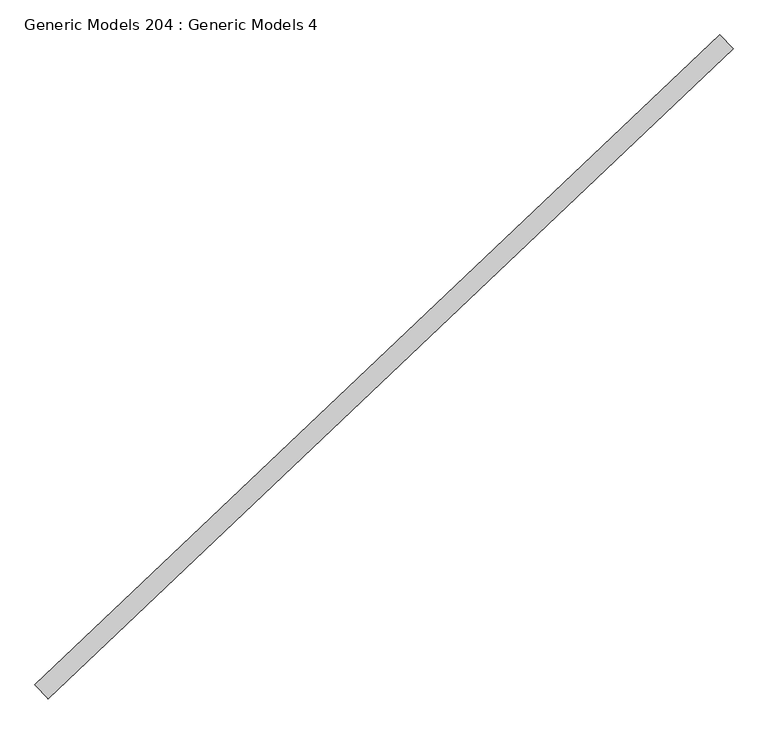
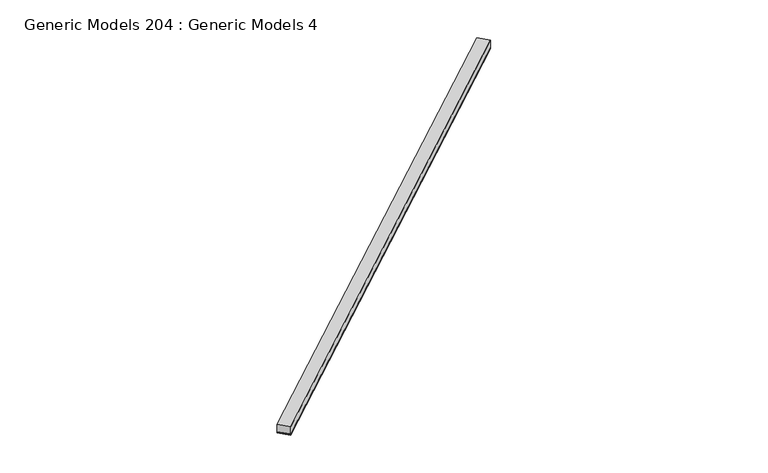
"""IFC4 building model written with IfcOpenShell, lengths in millimetres: proxy geometry, Generic Models 204 : Generic Models 4."""

from ifc_helpers import new_model, si_unit, point, frame, frame_2d, origin, place, context, project, spatial, polyline, circle_curve, trimmed, segment, composite_curve, outline, extrude, source, transform, mapped, element, save


def generic_models_204_generic_models_4_00ee13d5(model_context):
    return source(origin(), model_context, "Body", "SweptSolid", [
        extrude(outline(composite_curve([segment(polyline([(92.075, -9.128125), (0.0, -9.128125)]), True, "CONTINUOUS"), segment(trimmed(circle_curve(frame_2d((-4.4149557, -4.5640625)), 6.35), [point((0.0, -9.128125))], [point((0.0, 0.0))], True, "CARTESIAN"), True, "CONTINUOUS"), segment(polyline([(0.0, 0.0), (92.075, 0.0)]), True, "CONTINUOUS"), segment(trimmed(circle_curve(frame_2d((96.4899556, -4.5640625)), 6.35), [point((92.075, 0.0))], [point((92.075, -9.128125))], True, "CARTESIAN"), True, "CONTINUOUS")], self_intersect=False)), frame((99763.4645275, 57298.7606646, 16567.7378084), z_axis=(0.7253743710123147, 0.6883545756937256, 0.0), x_axis=(0.6883545756937256, -0.7253743710123147, 0.0)), (0.0, 0.0, 1.0), 4530.725),
        extrude(outline(polyline([(99826.844775, 57231.9718194), (99763.4645275, 57298.7606646), (103049.9363246, 60417.5059496), (103113.3165721, 60350.7171044), (99826.844775, 57231.9718194)])), frame((0.0, 0.0, 16577.2628084), z_axis=(0.0, 0.0, 1.0), x_axis=(1.0, 0.0, 0.0)), (0.0, 0.0, 1.0), 57.15),
    ])


if __name__ == "__main__":
    model = new_model("IFC4")
    model_context = context("Model", 3, world=origin())
    ifc_project = project(units=[si_unit("LENGTHUNIT", "METRE", prefix="MILLI")], contexts=[model_context])
    site = spatial("IfcSite", under=ifc_project)
    building = spatial("IfcBuilding", under=site)
    placement = place(None, origin())
    generic_models_204_generic_models_4_shape = generic_models_204_generic_models_4_00ee13d5(model_context)
    element("IfcBuildingElementProxy", 1, Name="Generic Models 204 : Generic Models 4", ObjectType="Generic Models 204 : Generic Models 4", at=placement, inside=building, context=model_context, shape_type="MappedRepresentation", body=[
        mapped(generic_models_204_generic_models_4_shape, transform((0.0, 0.0, 0.0), x_axis=(1.0, 0.0, 0.0), y_axis=(0.0, 1.0, 0.0), z_axis=(0.0, 0.0, 1.0))),
    ])
    save(model, "model.ifc")
